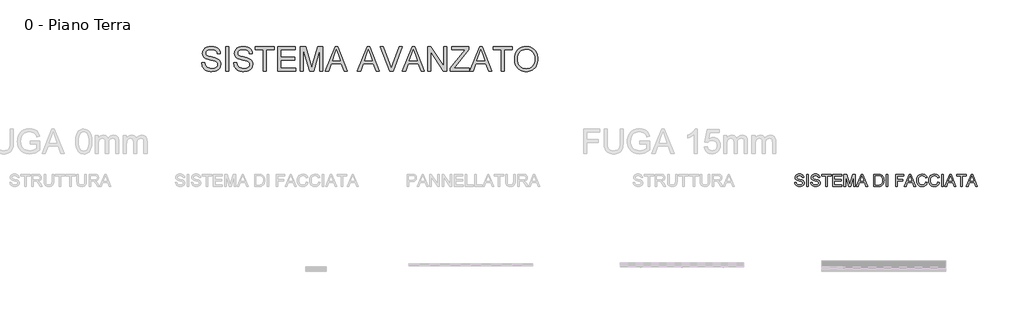
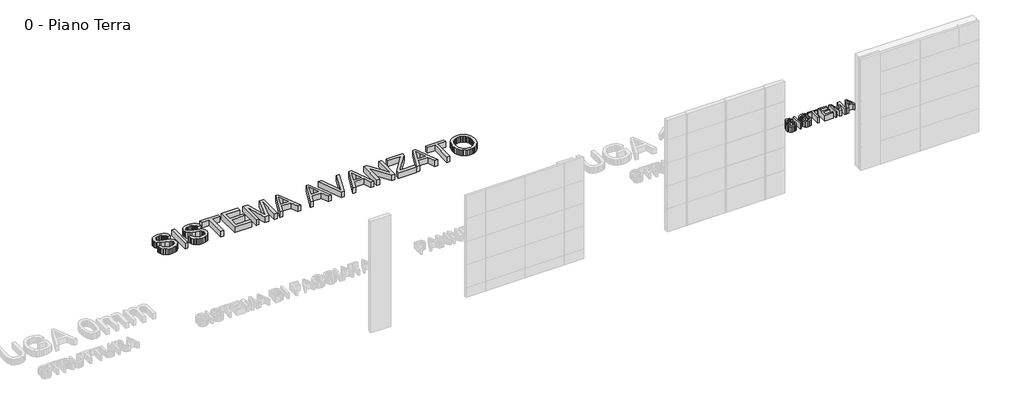
# One storey, part 17 of 17: 2 proxies.
"""IFC4 building model written with IfcOpenShell, lengths in millimetres."""

from ifc_helpers import new_model, si_unit, origin, origin_with_axes, place, context, project, spatial, polyline, outline, extrude, element, save

model = new_model("IFC4")

# Units and contexts
model_context = context("Model", 3, world=origin())
ifc_project = project(units=[si_unit("LENGTHUNIT", "METRE", prefix="MILLI")], contexts=[model_context])

# Site, building, storey
site = spatial("IfcSite", under=ifc_project)
building = spatial("IfcBuilding", under=site)
storey = spatial("IfcBuildingStorey", under=building, Name="0 - Piano Terra", Elevation=0.0)

# Proxies
placement = place(None, origin())
element("IfcBuildingElementProxy", 1, Name="Testo modello 1", ObjectType="Testo modello 1", at=placement, inside=storey, context=model_context, shape_type="SweptSolid", body=[
    extrude(outline(polyline([(-2566.3195296, 16267.8099493), (-2492.4733758, 16267.8099493), (-2483.9998181, 16226.830382), (-2468.6752988, 16193.8916801), (-2444.7690488, 16167.7498532), (-2410.5502988, 16147.1609109), (-2368.7233758, 16133.8015359), (-2321.9926065, 16129.3484109), (-2280.8507796, 16132.7198051), (-2244.829145, 16142.8339878), (-2215.6404431, 16158.8436032), (-2194.9974142, 16179.9012955), (-2182.71977, 16204.0779782), (-2178.6272219, 16229.4445647), (-2181.6921258, 16254.1621128), (-2190.8868373, 16275.5262955), (-2209.5647219, 16293.7534589), (-2241.079145, 16309.0599493), (-2348.6031835, 16337.2570647), (-2419.1861162, 16355.9169205), (-2464.3483758, 16373.6753339), (-2501.1091931, 16398.5190839), (-2527.1608758, 16428.627257), (-2542.6837123, 16463.3508147), (-2547.8579912, 16502.0407185), (-2546.2579311, 16524.0314036), (-2541.4577508, 16545.2919205), (-2533.4574503, 16565.822269), (-2522.2570296, 16585.6224493), (-2507.9826907, 16603.8856705), (-2490.7606354, 16619.8051416), (-2470.5908637, 16633.3808628), (-2447.4733758, 16644.6128339), (-2395.5142412, 16659.7029782), (-2338.0022219, 16664.7330262), (-2275.6945296, 16659.4686032), (-2221.1752988, 16643.6753339), (-2197.3231354, 16631.9115118), (-2176.391645, 16617.6777378), (-2158.3808277, 16600.9740118), (-2143.2906835, 16581.8003339), (-2131.2383998, 16560.7155984), (-2122.3411642, 16538.2786993), (-2116.5989767, 16514.4896368), (-2114.0118373, 16489.3484109), (-2187.8579912, 16489.3484109), (-2192.797895, 16512.9121128), (-2201.4156835, 16533.4109109), (-2213.7113565, 16550.8448051), (-2229.6849142, 16565.2137955), (-2249.6338325, 16576.4457666), (-2273.8555873, 16584.4686032), (-2302.3501787, 16589.2823051), (-2335.1176065, 16590.8868724), (-2368.9307075, 16589.3003339), (-2397.8219335, 16584.5407185), (-2421.7912844, 16576.6080262), (-2440.8387604, 16565.502257), (-2455.3519815, 16552.1518964), (-2465.7185681, 16537.4854301), (-2471.93852, 16521.502858), (-2474.0118373, 16504.2041801), (-2468.1344335, 16475.8267762), (-2450.5022219, 16453.002257), (-2434.3123181, 16442.8520166), (-2408.8195296, 16432.5936032), (-2329.9252988, 16411.752257), (-2248.5070296, 16391.9565839), (-2199.2522219, 16374.6849493), (-2157.1548662, 16347.8940839), (-2140.8793253, 16332.1458868), (-2127.7858758, 16314.8291801), (-2117.7212724, 16296.034108), (-2110.53227, 16275.8508147), (-2104.7810681, 16231.3195647), (-2106.4352147, 16208.2201056), (-2111.3976546, 16185.7967282), (-2119.6683878, 16164.0494325), (-2131.2474142, 16142.9782185), (-2145.9319094, 16123.3988916), (-2163.5190488, 16106.127257), (-2184.0088325, 16091.1633147), (-2207.4012604, 16078.5070647), (-2233.0157436, 16068.4424613), (-2260.1716931, 16061.2534589), (-2319.1079912, 16055.502257), (-2356.8829311, 16057.0527378), (-2391.4577508, 16061.7041801), (-2422.8324503, 16069.4565839), (-2451.0070296, 16080.3099493), (-2476.1527628, 16094.2823051), (-2498.4409238, 16111.3916801), (-2517.8715128, 16131.6380743), (-2534.4445296, 16155.0214878), (-2547.7948902, 16180.7847089), (-2557.5575104, 16208.1705262), (-2563.7323902, 16237.1789397), (-2566.3195296, 16267.8099493)])), origin_with_axes(), (0.0, 0.0, 1.0), 150.0),
    extrude(outline(polyline([(-1984.7810681, 16064.7330262), (-1984.7810681, 16655.502257), (-1910.9349142, 16655.502257), (-1910.9349142, 16064.7330262), (-1984.7810681, 16064.7330262)])), origin_with_axes(), (0.0, 0.0, 1.0), 150.0),
    extrude(outline(polyline([(-1790.9349142, 16267.8099493), (-1717.0887604, 16267.8099493), (-1708.6152027, 16226.830382), (-1693.2906835, 16193.8916801), (-1669.3844335, 16167.7498532), (-1635.1656835, 16147.1609109), (-1593.3387604, 16133.8015359), (-1546.6079912, 16129.3484109), (-1505.4661642, 16132.7198051), (-1469.4445296, 16142.8339878), (-1440.2558277, 16158.8436032), (-1419.6127988, 16179.9012955), (-1407.3351546, 16204.0779782), (-1403.2426065, 16229.4445647), (-1406.3075104, 16254.1621128), (-1415.5022219, 16275.5262955), (-1434.1801065, 16293.7534589), (-1465.6945296, 16309.0599493), (-1573.2185681, 16337.2570647), (-1643.8015008, 16355.9169205), (-1688.9637604, 16373.6753339), (-1725.7245777, 16398.5190839), (-1751.7762604, 16428.627257), (-1767.2990969, 16463.3508147), (-1772.4733758, 16502.0407185), (-1770.8733157, 16524.0314036), (-1766.0731354, 16545.2919205), (-1758.0728349, 16565.822269), (-1746.8724142, 16585.6224493), (-1732.5980753, 16603.8856705), (-1715.37602, 16619.8051416), (-1695.2062484, 16633.3808628), (-1672.0887604, 16644.6128339), (-1620.1296258, 16659.7029782), (-1562.6176065, 16664.7330262), (-1500.3099142, 16659.4686032), (-1445.7906835, 16643.6753339), (-1421.93852, 16631.9115118), (-1401.0070296, 16617.6777378), (-1382.9962123, 16600.9740118), (-1367.9060681, 16581.8003339), (-1355.8537844, 16560.7155984), (-1346.9565488, 16538.2786993), (-1341.2143613, 16514.4896368), (-1338.6272219, 16489.3484109), (-1412.4733758, 16489.3484109), (-1417.4132796, 16512.9121128), (-1426.0310681, 16533.4109109), (-1438.3267412, 16550.8448051), (-1454.3002988, 16565.2137955), (-1474.2492171, 16576.4457666), (-1498.4709719, 16584.4686032), (-1526.9655633, 16589.2823051), (-1559.7329912, 16590.8868724), (-1593.5460921, 16589.3003339), (-1622.4373181, 16584.5407185), (-1646.406669, 16576.6080262), (-1665.454145, 16565.502257), (-1679.9673662, 16552.1518964), (-1690.3339527, 16537.4854301), (-1696.5539046, 16521.502858), (-1698.6272219, 16504.2041801), (-1692.7498181, 16475.8267762), (-1675.1176065, 16453.002257), (-1658.9277027, 16442.8520166), (-1633.4349142, 16432.5936032), (-1554.5406835, 16411.752257), (-1473.1224142, 16391.9565839), (-1423.8676065, 16374.6849493), (-1381.7702508, 16347.8940839), (-1365.4947099, 16332.1458868), (-1352.4012604, 16314.8291801), (-1342.336657, 16296.034108), (-1335.1476546, 16275.8508147), (-1329.3964527, 16231.3195647), (-1331.0505993, 16208.2201056), (-1336.0130392, 16185.7967282), (-1344.2837724, 16164.0494325), (-1355.8627988, 16142.9782185), (-1370.547294, 16123.3988916), (-1388.1344335, 16106.127257), (-1408.6242171, 16091.1633147), (-1432.016645, 16078.5070647), (-1457.6311282, 16068.4424613), (-1484.7870777, 16061.2534589), (-1543.7233758, 16055.502257), (-1581.4983157, 16057.0527378), (-1616.0731354, 16061.7041801), (-1647.4478349, 16069.4565839), (-1675.6224142, 16080.3099493), (-1700.7681474, 16094.2823051), (-1723.0563085, 16111.3916801), (-1742.4868974, 16131.6380743), (-1759.0599142, 16155.0214878), (-1772.4102748, 16180.7847089), (-1782.172895, 16208.1705262), (-1788.3477748, 16237.1789397), (-1790.9349142, 16267.8099493)])), origin_with_axes(), (0.0, 0.0, 1.0), 150.0),
    extrude(outline(polyline([(-1070.9349142, 16064.7330262), (-1070.9349142, 16581.6561032), (-1264.7810681, 16581.6561032), (-1264.7810681, 16655.502257), (-803.2426065, 16655.502257), (-803.2426065, 16581.6561032), (-997.0887604, 16581.6561032), (-997.0887604, 16064.7330262), (-1070.9349142, 16064.7330262)])), origin_with_axes(), (0.0, 0.0, 1.0), 150.0),
    extrude(outline(polyline([(-720.1656835, 16064.7330262), (-720.1656835, 16655.502257), (-295.5502988, 16655.502257), (-295.5502988, 16581.6561032), (-646.3195296, 16581.6561032), (-646.3195296, 16406.2714878), (-314.0118373, 16406.2714878), (-314.0118373, 16332.4253339), (-646.3195296, 16332.4253339), (-646.3195296, 16138.5791801), (-286.3195296, 16138.5791801), (-286.3195296, 16064.7330262), (-720.1656835, 16064.7330262)])), origin_with_axes(), (0.0, 0.0, 1.0), 150.0),
    extrude(outline(polyline([(-175.5502988, 16064.7330262), (-175.5502988, 16655.502257), (-48.4829912, 16655.502257), (72.3823935, 16239.1080262), (96.7573935, 16152.1368724), (123.1516242, 16246.3195647), (241.9977781, 16655.502257), (369.0650858, 16655.502257), (369.0650858, 16064.7330262), (295.2189319, 16064.7330262), (295.2189319, 16581.6561032), (146.8054704, 16064.7330262), (46.7093165, 16064.7330262), (-101.704145, 16581.6561032), (-101.704145, 16064.7330262), (-175.5502988, 16064.7330262)])), origin_with_axes(), (0.0, 0.0, 1.0), 150.0),
    extrude(outline(polyline([(429.4977781, 16064.7330262), (665.3150858, 16655.502257), (728.1997012, 16655.502257), (964.0170088, 16064.7330262), (885.9881627, 16064.7330262), (818.3439319, 16249.3484109), (575.0266242, 16249.3484109), (507.5266242, 16064.7330262), (429.4977781, 16064.7330262)]), holes=[polyline([(602.1420088, 16323.1945647), (791.3727781, 16323.1945647), (738.1516242, 16468.4349493), (696.7573935, 16581.6561032), (659.9785473, 16481.127257), (602.1420088, 16323.1945647)])]), origin_with_axes(), (0.0, 0.0, 1.0), 150.0),
    extrude(outline(polyline([(1204.8823935, 16064.7330262), (1440.6997012, 16655.502257), (1503.5843165, 16655.502257), (1739.4016242, 16064.7330262), (1661.3727781, 16064.7330262), (1593.7285473, 16249.3484109), (1350.4112396, 16249.3484109), (1282.9112396, 16064.7330262), (1204.8823935, 16064.7330262)]), holes=[polyline([(1377.5266242, 16323.1945647), (1566.7573935, 16323.1945647), (1513.5362396, 16468.4349493), (1472.1420088, 16581.6561032), (1435.3631627, 16481.127257), (1377.5266242, 16323.1945647)])]), origin_with_axes(), (0.0, 0.0, 1.0), 150.0),
    extrude(outline(polyline([(1992.8150858, 16064.7330262), (1757.7189319, 16655.502257), (1836.7573935, 16655.502257), (1994.1131627, 16229.877257), (2025.9881627, 16133.9637955), (2057.4304704, 16229.877257), (2215.2189319, 16655.502257), (2294.2573935, 16655.502257), (2069.1131627, 16064.7330262), (1992.8150858, 16064.7330262)])), origin_with_axes(), (0.0, 0.0, 1.0), 150.0),
    extrude(outline(polyline([(2294.1131627, 16064.7330262), (2529.9304704, 16655.502257), (2592.8150858, 16655.502257), (2828.6323935, 16064.7330262), (2750.6035473, 16064.7330262), (2682.9593165, 16249.3484109), (2439.6420088, 16249.3484109), (2372.1420088, 16064.7330262), (2294.1131627, 16064.7330262)]), holes=[polyline([(2466.7573935, 16323.1945647), (2655.9881627, 16323.1945647), (2602.7670088, 16468.4349493), (2561.3727781, 16581.6561032), (2524.5939319, 16481.127257), (2466.7573935, 16323.1945647)])]), origin_with_axes(), (0.0, 0.0, 1.0), 150.0),
    extrude(outline(polyline([(2907.5266242, 16064.7330262), (2907.5266242, 16655.502257), (2986.5650858, 16655.502257), (3295.2189319, 16187.4734109), (3295.2189319, 16655.502257), (3369.0650858, 16655.502257), (3369.0650858, 16064.7330262), (3290.0266242, 16064.7330262), (2981.3727781, 16532.9061032), (2981.3727781, 16064.7330262), (2907.5266242, 16064.7330262)])), origin_with_axes(), (0.0, 0.0, 1.0), 150.0),
    extrude(outline(polyline([(3452.1420088, 16064.7330262), (3452.1420088, 16141.3195647), (3754.3054704, 16511.2714878), (3811.7093165, 16581.6561032), (3489.0650858, 16581.6561032), (3489.0650858, 16655.502257), (3904.4497012, 16655.502257), (3904.4497012, 16581.6561032), (3573.7285473, 16176.8003339), (3542.5747012, 16138.5791801), (3913.6804704, 16138.5791801), (3913.6804704, 16064.7330262), (3452.1420088, 16064.7330262)])), origin_with_axes(), (0.0, 0.0, 1.0), 150.0),
    extrude(outline(polyline([(3927.9593165, 16064.7330262), (4163.7766242, 16655.502257), (4226.6612396, 16655.502257), (4462.4785473, 16064.7330262), (4384.4497012, 16064.7330262), (4316.8054704, 16249.3484109), (4073.4881627, 16249.3484109), (4005.9881627, 16064.7330262), (3927.9593165, 16064.7330262)]), holes=[polyline([(4100.6035473, 16323.1945647), (4289.8343165, 16323.1945647), (4236.6131627, 16468.4349493), (4195.2189319, 16581.6561032), (4158.4400858, 16481.127257), (4100.6035473, 16323.1945647)])]), origin_with_axes(), (0.0, 0.0, 1.0), 150.0),
    extrude(outline(polyline([(4689.0650858, 16064.7330262), (4689.0650858, 16581.6561032), (4495.2189319, 16581.6561032), (4495.2189319, 16655.502257), (4956.7573935, 16655.502257), (4956.7573935, 16581.6561032), (4762.9112396, 16581.6561032), (4762.9112396, 16064.7330262), (4689.0650858, 16064.7330262)])), origin_with_axes(), (0.0, 0.0, 1.0), 150.0),
    extrude(outline(polyline([(5012.1420088, 16352.3291801), (5017.0638838, 16421.6230503), (5031.8295088, 16482.9661993), (5056.4388838, 16536.3586272), (5090.8920088, 16581.8003339), (5133.124581, 16618.0833868), (5181.0722973, 16643.9998532), (5234.7351579, 16659.549733), (5294.1131627, 16664.7330262), (5333.857754, 16662.299132), (5371.6011435, 16654.9974493), (5407.343331, 16642.8279782), (5441.0843165, 16625.7907185), (5471.8775858, 16604.3994926), (5498.7766242, 16579.1681224), (5521.7814319, 16550.096608), (5540.8920088, 16517.1849493), (5555.9100377, 16481.1813435), (5566.6372012, 16442.8339878), (5573.0734992, 16402.142882), (5575.2189319, 16359.1080262), (5572.9608189, 16315.5052618), (5566.18648, 16274.2642762), (5554.8959151, 16235.3850695), (5539.0891242, 16198.8676416), (5519.140206, 16165.6765359), (5495.4232588, 16136.7762955), (5467.9382829, 16112.1669205), (5436.6852781, 16091.8484109), (5402.8947132, 16075.9469685), (5367.7970569, 16064.5887955), (5331.3923093, 16057.7738916), (5293.6804704, 16055.502257), (5253.2417685, 16058.0127738), (5215.0025858, 16065.5443243), (5178.9629223, 16078.0969084), (5145.1227781, 16095.6705262), (5114.3655665, 16117.5845887), (5087.5747012, 16143.158507), (5064.7501819, 16172.392281), (5045.8920088, 16205.2859109), (5031.1263838, 16240.5187834), (5020.5795088, 16276.7702859), (5014.2513838, 16314.0404181), (5012.1420088, 16352.3291801)]), holes=[polyline([(5085.9881627, 16351.6080262), (5089.6795689, 16302.6506945), (5100.7537877, 16259.1921609), (5119.2108189, 16221.2324253), (5145.0506627, 16188.7714878), (5176.4614199, 16162.7738916), (5211.6311915, 16144.2041801), (5250.5599776, 16133.0623532), (5293.2477781, 16129.3484109), (5336.6657468, 16133.0984109), (5376.0542685, 16144.3484109), (5411.413343, 16163.0984109), (5442.7429704, 16189.3484109), (5468.3935113, 16222.4944445), (5486.7153262, 16261.9325455), (5497.7084151, 16307.6627137), (5501.3727781, 16359.6849493), (5499.8042685, 16393.4800214), (5495.0987396, 16425.0575455), (5487.2561915, 16454.4175214), (5476.2766242, 16481.5599493), (5462.2817324, 16506.1287594), (5445.3932108, 16527.767882), (5425.6110593, 16546.4773171), (5402.9352781, 16562.2570647), (5378.068992, 16574.7826056), (5351.7153262, 16583.7294205), (5323.8742805, 16589.0975094), (5294.545855, 16590.8868724), (5253.3409271, 16587.4388556), (5215.1107588, 16577.0948051), (5179.8553502, 16559.8547209), (5147.5747012, 16535.7186032), (5120.6305906, 16503.5235911), (5101.3847973, 16462.1068243), (5089.8373213, 16411.4683027), (5085.9881627, 16351.6080262)])]), origin_with_axes(), (0.0, 0.0, 1.0), 150.0),
])
element("IfcBuildingElementProxy", 2, Name="Testo modello 2", ObjectType="Testo modello 2", at=placement, inside=storey, context=model_context, shape_type="SweptSolid", body=[
    extrude(outline(polyline([(11795.9881627, 13370.4559185), (11832.9112396, 13370.4559185), (11837.1480185, 13349.9661349), (11844.8102781, 13333.4967839), (11856.7634031, 13320.4258705), (11873.8727781, 13310.1313993), (11894.7862396, 13303.4517118), (11918.1516242, 13301.2251493), (11938.7225377, 13302.9108464), (11956.733355, 13307.9679378), (11971.327706, 13315.9727455), (11981.6492204, 13326.5015916), (11987.7880425, 13338.589933), (11989.8343165, 13351.2732262), (11988.3018646, 13363.6320003), (11983.7045088, 13374.3140916), (11974.3655665, 13383.4276734), (11958.608355, 13391.0809185), (11904.8463358, 13405.1794762), (11869.5548694, 13414.5094041), (11846.9737396, 13423.3886109), (11828.593331, 13435.8104859), (11815.5674896, 13450.8645724), (11807.8060713, 13468.2263512), (11805.2189319, 13487.5713032), (11808.4190521, 13509.1969041), (11818.0194127, 13529.3621685), (11833.7676098, 13546.4535147), (11855.4112396, 13558.8573609), (11881.3908069, 13566.402433), (11910.1468165, 13568.917457), (11941.3006627, 13566.2852455), (11968.5602781, 13558.3886109), (11990.952105, 13545.3898128), (12007.5025858, 13527.4511109), (12017.9773454, 13505.6902935), (12022.1420088, 13481.2251493), (11985.2189319, 13481.2251493), (11978.4400858, 13503.2563993), (11964.3054704, 13519.1578416), (11942.2201338, 13528.7852455), (11911.5891242, 13531.9943801), (11880.2369608, 13528.8213032), (11858.7285473, 13519.3020724), (11846.2886435, 13505.2936589), (11842.1420088, 13488.6530339), (11845.0807108, 13474.464332), (11853.8968165, 13463.0520724), (11874.7381627, 13452.8477455), (11914.1852781, 13442.4270724), (11979.5218165, 13423.8934185), (12000.5704944, 13410.4979859), (12015.2549896, 13393.9655339), (12023.8817925, 13374.4763512), (12026.7573935, 13352.2107262), (12023.4491002, 13329.449308), (12013.5242204, 13308.0400532), (11997.3884031, 13289.6145724), (11975.4472973, 13275.8044762), (11949.062081, 13267.1776734), (11919.5939319, 13264.3020724), (11883.4190521, 13267.4030339), (11853.6444127, 13276.7059185), (11829.9274656, 13292.2467839), (11811.9256627, 13314.0616878), (11800.3691723, 13340.636207), (11795.9881627, 13370.4559185)])), origin_with_axes(), (0.0, 0.0, 1.0), 150.0),
    extrude(outline(polyline([(12086.7573935, 13268.917457), (12086.7573935, 13564.3020724), (12123.6804704, 13564.3020724), (12123.6804704, 13268.917457), (12086.7573935, 13268.917457)])), origin_with_axes(), (0.0, 0.0, 1.0), 150.0),
    extrude(outline(polyline([(12183.6804704, 13370.4559185), (12220.6035473, 13370.4559185), (12224.8403262, 13349.9661349), (12232.5025858, 13333.4967839), (12244.4557108, 13320.4258705), (12261.5650858, 13310.1313993), (12282.4785473, 13303.4517118), (12305.8439319, 13301.2251493), (12326.4148454, 13302.9108464), (12344.4256627, 13307.9679378), (12359.0200137, 13315.9727455), (12369.3415281, 13326.5015916), (12375.4803502, 13338.589933), (12377.5266242, 13351.2732262), (12375.9941723, 13363.6320003), (12371.3968165, 13374.3140916), (12362.0578742, 13383.4276734), (12346.3006627, 13391.0809185), (12292.5386435, 13405.1794762), (12257.2471771, 13414.5094041), (12234.6660473, 13423.3886109), (12216.2856387, 13435.8104859), (12203.2597973, 13450.8645724), (12195.498379, 13468.2263512), (12192.9112396, 13487.5713032), (12196.1113598, 13509.1969041), (12205.7117204, 13529.3621685), (12221.4599175, 13546.4535147), (12243.1035473, 13558.8573609), (12269.0831146, 13566.402433), (12297.8391242, 13568.917457), (12328.9929704, 13566.2852455), (12356.2525858, 13558.3886109), (12378.6444127, 13545.3898128), (12395.1948935, 13527.4511109), (12405.6696531, 13505.6902935), (12409.8343165, 13481.2251493), (12372.9112396, 13481.2251493), (12366.1323935, 13503.2563993), (12351.9977781, 13519.1578416), (12329.9124415, 13528.7852455), (12299.2814319, 13531.9943801), (12267.9292685, 13528.8213032), (12246.420855, 13519.3020724), (12233.9809512, 13505.2936589), (12229.8343165, 13488.6530339), (12232.7730185, 13474.464332), (12241.5891242, 13463.0520724), (12262.4304704, 13452.8477455), (12301.8775858, 13442.4270724), (12367.2141242, 13423.8934185), (12388.2628021, 13410.4979859), (12402.9472973, 13393.9655339), (12411.5741002, 13374.4763512), (12414.4497012, 13352.2107262), (12411.1414079, 13329.449308), (12401.2165281, 13308.0400532), (12385.0807108, 13289.6145724), (12363.139605, 13275.8044762), (12336.7543887, 13267.1776734), (12307.2862396, 13264.3020724), (12271.1113598, 13267.4030339), (12241.3367204, 13276.7059185), (12217.6197733, 13292.2467839), (12199.6179704, 13314.0616878), (12188.06148, 13340.636207), (12183.6804704, 13370.4559185)])), origin_with_axes(), (0.0, 0.0, 1.0), 150.0),
    extrude(outline(polyline([(12543.6804704, 13268.917457), (12543.6804704, 13527.3789955), (12446.7573935, 13527.3789955), (12446.7573935, 13564.3020724), (12677.5266242, 13564.3020724), (12677.5266242, 13527.3789955), (12580.6035473, 13527.3789955), (12580.6035473, 13268.917457), (12543.6804704, 13268.917457)])), origin_with_axes(), (0.0, 0.0, 1.0), 150.0),
    extrude(outline(polyline([(12719.0650858, 13268.917457), (12719.0650858, 13564.3020724), (12931.3727781, 13564.3020724), (12931.3727781, 13527.3789955), (12755.9881627, 13527.3789955), (12755.9881627, 13439.6866878), (12922.1420088, 13439.6866878), (12922.1420088, 13402.7636109), (12755.9881627, 13402.7636109), (12755.9881627, 13305.8405339), (12935.9881627, 13305.8405339), (12935.9881627, 13268.917457), (12719.0650858, 13268.917457)])), origin_with_axes(), (0.0, 0.0, 1.0), 150.0),
    extrude(outline(polyline([(12991.3727781, 13268.917457), (12991.3727781, 13564.3020724), (13054.9064319, 13564.3020724), (13115.3391242, 13356.104957), (13127.5266242, 13312.6193801), (13140.7237396, 13359.7107262), (13200.1468165, 13564.3020724), (13263.6804704, 13564.3020724), (13263.6804704, 13268.917457), (13226.7573935, 13268.917457), (13226.7573935, 13527.3789955), (13152.5506627, 13268.917457), (13102.5025858, 13268.917457), (13028.295855, 13527.3789955), (13028.295855, 13268.917457), (12991.3727781, 13268.917457)])), origin_with_axes(), (0.0, 0.0, 1.0), 150.0),
    extrude(outline(polyline([(13293.8968165, 13268.917457), (13411.8054704, 13564.3020724), (13443.2477781, 13564.3020724), (13561.1564319, 13268.917457), (13522.1420088, 13268.917457), (13488.3198935, 13361.2251493), (13366.6612396, 13361.2251493), (13332.9112396, 13268.917457), (13293.8968165, 13268.917457)]), holes=[polyline([(13380.2189319, 13398.1482262), (13474.8343165, 13398.1482262), (13448.2237396, 13470.7684185), (13427.5266242, 13527.3789955), (13409.1372012, 13477.1145724), (13380.2189319, 13398.1482262)])]), origin_with_axes(), (0.0, 0.0, 1.0), 150.0),
    extrude(outline(polyline([(13715.9881627, 13268.917457), (13715.9881627, 13564.3020724), (13817.8872012, 13564.3020724), (13870.6035473, 13560.0472647), (13894.1492204, 13551.8441397), (13914.0170088, 13538.917457), (13934.4436915, 13516.417457), (13948.9929704, 13488.4366878), (13957.7009031, 13455.5160147), (13960.6035473, 13418.1963032), (13958.6384031, 13386.4925772), (13952.7429704, 13358.5929378), (13943.764605, 13334.839933), (13932.5506627, 13315.5761109), (13919.6420088, 13300.3687791), (13905.5795088, 13288.7852455), (13889.4346771, 13280.1945003), (13870.2790281, 13273.9655339), (13822.7910473, 13268.917457), (13715.9881627, 13268.917457)]), holes=[polyline([(13752.9112396, 13305.8405339), (13818.2477781, 13305.8405339), (13845.2730185, 13307.1746685), (13865.7718165, 13311.1770724), (13881.2405665, 13317.6133705), (13893.1756627, 13326.2491878), (13906.0031867, 13342.2317599), (13915.639605, 13362.9198609), (13921.670254, 13388.4036349), (13923.6804704, 13418.7732262), (13919.7411675, 13459.0136109), (13907.9232588, 13488.7251493), (13890.4623213, 13509.1338032), (13869.5939319, 13521.4655339), (13848.3559512, 13525.9006301), (13817.2381627, 13527.3789955), (13752.9112396, 13527.3789955), (13752.9112396, 13305.8405339)])]), origin_with_axes(), (0.0, 0.0, 1.0), 150.0),
    extrude(outline(polyline([(14015.9881627, 13268.917457), (14015.9881627, 13564.3020724), (14052.9112396, 13564.3020724), (14052.9112396, 13268.917457), (14015.9881627, 13268.917457)])), origin_with_axes(), (0.0, 0.0, 1.0), 150.0),
    extrude(outline(polyline([(14242.1420088, 13268.917457), (14242.1420088, 13564.3020724), (14440.6035473, 13564.3020724), (14440.6035473, 13527.3789955), (14279.0650858, 13527.3789955), (14279.0650858, 13439.6866878), (14417.5266242, 13439.6866878), (14417.5266242, 13402.7636109), (14279.0650858, 13402.7636109), (14279.0650858, 13268.917457), (14242.1420088, 13268.917457)])), origin_with_axes(), (0.0, 0.0, 1.0), 150.0),
    extrude(outline(polyline([(14456.9737396, 13268.917457), (14574.8823935, 13564.3020724), (14606.3247012, 13564.3020724), (14724.233355, 13268.917457), (14685.2189319, 13268.917457), (14651.3968165, 13361.2251493), (14529.7381627, 13361.2251493), (14495.9881627, 13268.917457), (14456.9737396, 13268.917457)]), holes=[polyline([(14543.295855, 13398.1482262), (14637.9112396, 13398.1482262), (14611.3006627, 13470.7684185), (14590.6035473, 13527.3789955), (14572.2141242, 13477.1145724), (14543.295855, 13398.1482262)])]), origin_with_axes(), (0.0, 0.0, 1.0), 150.0),
    extrude(outline(polyline([(14971.3727781, 13373.917457), (15008.295855, 13364.3982262), (15000.9896651, 13341.4362371), (14991.2585954, 13321.3723849), (14979.1026459, 13304.2066697), (14964.5218165, 13289.9390916), (14947.8451338, 13278.7228957), (14929.4016242, 13270.7113272), (14909.1912877, 13265.9043861), (14887.2141242, 13264.3020724), (14844.3866002, 13269.151832), (14810.3751819, 13283.7011109), (14784.3054704, 13307.4451012), (14765.3030665, 13339.8789955), (14753.701504, 13378.0100051), (14749.8343165, 13418.8453416), (14754.2063117, 13461.9162551), (14767.3222973, 13499.1097647), (14788.4971771, 13529.244981), (14817.045855, 13551.1410147), (14850.9040281, 13564.4733464), (14888.0073935, 13568.917457), (14928.4911675, 13563.1662551), (14946.1030966, 13555.9772527), (14961.9617204, 13545.9126493), (14975.8056206, 13533.2383705), (14987.373379, 13518.2203416), (15003.6804704, 13481.1530339), (14966.7573935, 13472.354957), (14953.9569127, 13499.2810387), (14936.4689319, 13517.7515916), (14914.077105, 13528.433683), (14886.5650858, 13531.9943801), (14854.8523454, 13528.0460628), (14828.8006627, 13516.2011109), (14809.0320329, 13497.7035147), (14796.1684512, 13473.7972647), (14789.1101579, 13446.7720243), (14786.7573935, 13418.917457), (14789.5428502, 13384.8068801), (14797.8992204, 13355.3116878), (14812.1420088, 13331.558683), (14832.5867204, 13314.6746685), (14857.0969367, 13304.5875291), (14883.5362396, 13301.2251493), (14914.3565521, 13305.8044762), (14940.0386435, 13319.542457), (14959.4286675, 13342.2948609), (14971.3727781, 13373.917457)])), origin_with_axes(), (0.0, 0.0, 1.0), 150.0),
    extrude(outline(polyline([(15266.7573935, 13373.917457), (15303.6804704, 13364.3982262), (15296.3742805, 13341.4362371), (15286.6432108, 13321.3723849), (15274.4872613, 13304.2066697), (15259.9064319, 13289.9390916), (15243.2297492, 13278.7228957), (15224.7862396, 13270.7113272), (15204.5759031, 13265.9043861), (15182.5987396, 13264.3020724), (15139.7712156, 13269.151832), (15105.7597973, 13283.7011109), (15079.6900858, 13307.4451012), (15060.6876819, 13339.8789955), (15049.0861194, 13378.0100051), (15045.2189319, 13418.8453416), (15049.5909271, 13461.9162551), (15062.7069127, 13499.1097647), (15083.8817925, 13529.244981), (15112.4304704, 13551.1410147), (15146.2886435, 13564.4733464), (15183.3920088, 13568.917457), (15223.8757829, 13563.1662551), (15241.487712, 13555.9772527), (15257.3463358, 13545.9126493), (15271.190236, 13533.2383705), (15282.7579944, 13518.2203416), (15299.0650858, 13481.1530339), (15262.1420088, 13472.354957), (15249.3415281, 13499.2810387), (15231.8535473, 13517.7515916), (15209.4617204, 13528.433683), (15181.9497012, 13531.9943801), (15150.2369608, 13528.0460628), (15124.1852781, 13516.2011109), (15104.4166483, 13497.7035147), (15091.5530665, 13473.7972647), (15084.4947733, 13446.7720243), (15082.1420088, 13418.917457), (15084.9274656, 13384.8068801), (15093.2838358, 13355.3116878), (15107.5266242, 13331.558683), (15127.9713358, 13314.6746685), (15152.4815521, 13304.5875291), (15178.920855, 13301.2251493), (15209.7411675, 13305.8044762), (15235.4232588, 13319.542457), (15254.8132829, 13342.2948609), (15266.7573935, 13373.917457)])), origin_with_axes(), (0.0, 0.0, 1.0), 150.0),
    extrude(outline(polyline([(15359.0650858, 13268.917457), (15359.0650858, 13564.3020724), (15395.9881627, 13564.3020724), (15395.9881627, 13268.917457), (15359.0650858, 13268.917457)])), origin_with_axes(), (0.0, 0.0, 1.0), 150.0),
    extrude(outline(polyline([(15435.4352781, 13268.917457), (15553.3439319, 13564.3020724), (15584.7862396, 13564.3020724), (15702.6948935, 13268.917457), (15663.6804704, 13268.917457), (15629.858355, 13361.2251493), (15508.1997012, 13361.2251493), (15474.4497012, 13268.917457), (15435.4352781, 13268.917457)]), holes=[polyline([(15521.7573935, 13398.1482262), (15616.3727781, 13398.1482262), (15589.7622012, 13470.7684185), (15569.0650858, 13527.3789955), (15550.6756627, 13477.1145724), (15521.7573935, 13398.1482262)])]), origin_with_axes(), (0.0, 0.0, 1.0), 150.0),
    extrude(outline(polyline([(15815.9881627, 13268.917457), (15815.9881627, 13527.3789955), (15719.0650858, 13527.3789955), (15719.0650858, 13564.3020724), (15949.8343165, 13564.3020724), (15949.8343165, 13527.3789955), (15852.9112396, 13527.3789955), (15852.9112396, 13268.917457), (15815.9881627, 13268.917457)])), origin_with_axes(), (0.0, 0.0, 1.0), 150.0),
    extrude(outline(polyline([(15956.9737396, 13268.917457), (16074.8823935, 13564.3020724), (16106.3247012, 13564.3020724), (16224.233355, 13268.917457), (16185.2189319, 13268.917457), (16151.3968165, 13361.2251493), (16029.7381627, 13361.2251493), (15995.9881627, 13268.917457), (15956.9737396, 13268.917457)]), holes=[polyline([(16043.295855, 13398.1482262), (16137.9112396, 13398.1482262), (16111.3006627, 13470.7684185), (16090.6035473, 13527.3789955), (16072.2141242, 13477.1145724), (16043.295855, 13398.1482262)])]), origin_with_axes(), (0.0, 0.0, 1.0), 150.0),
])

save(model, "model.ifc")
